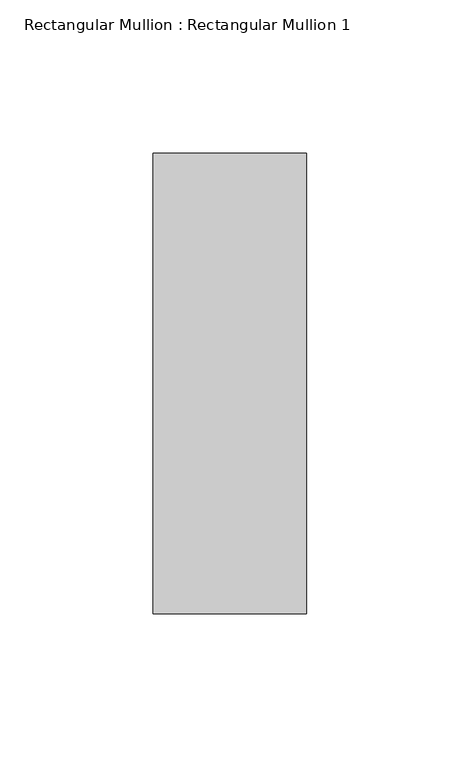
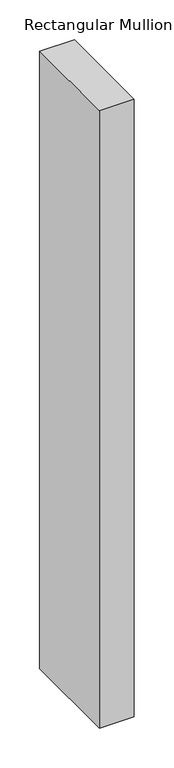
"""IFC4 building model written with IfcOpenShell, lengths in millimetres: member geometry, Rectangular Mullion : Rectangular Mullion 1."""

from ifc_helpers import new_model, si_unit, frame, origin, place, context, project, spatial, polyline, outline, extrude, source, transform, mapped, element, save


def rectangular_mullion_rectangular_mullion_1_affd144b(model_context):
    return source(origin(), model_context, "Body", "SweptSolid", [
        extrude(outline(polyline([(0.0, 75.0), (0.0, -75.0), (-50.0, -75.0), (-50.0, 75.0), (0.0, 75.0)])), frame((0.0, 0.0, -942.8880793), z_axis=(0.0, 0.0, 1.0), x_axis=(1.0, 0.0, 0.0)), (0.0, 0.0, 1.0), 942.8880793),
    ])


if __name__ == "__main__":
    model = new_model("IFC4")
    model_context = context("Model", 3, world=origin())
    ifc_project = project(units=[si_unit("LENGTHUNIT", "METRE", prefix="MILLI")], contexts=[model_context])
    site = spatial("IfcSite", under=ifc_project)
    building = spatial("IfcBuilding", under=site)
    placement = place(None, origin())
    rectangular_mullion_rectangular_mullion_1_shape = rectangular_mullion_rectangular_mullion_1_affd144b(model_context)
    element("IfcMember", 1, ObjectType="Rectangular Mullion : Rectangular Mullion 1", at=placement, inside=building, context=model_context, shape_type="MappedRepresentation", body=[
        mapped(rectangular_mullion_rectangular_mullion_1_shape, transform((0.0, 0.0, 0.0), x_axis=(1.0, 0.0, 0.0), y_axis=(0.0, 1.0, 0.0), z_axis=(0.0, 0.0, 1.0))),
    ])
    save(model, "model.ifc")
